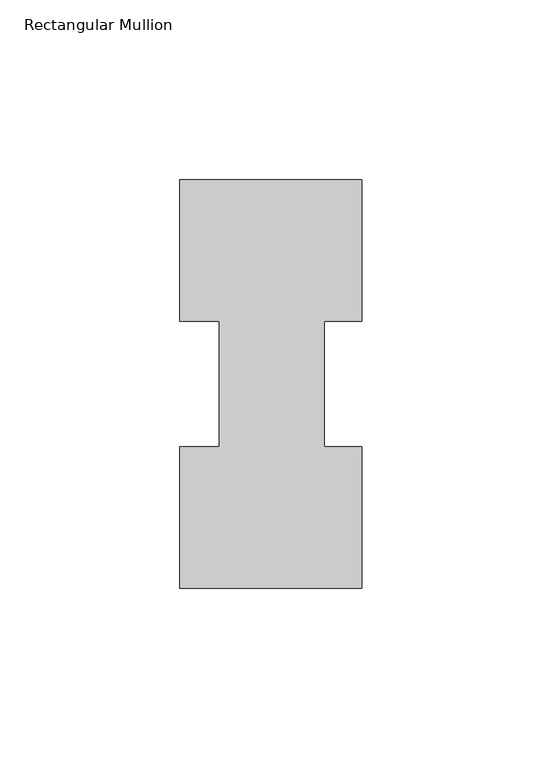
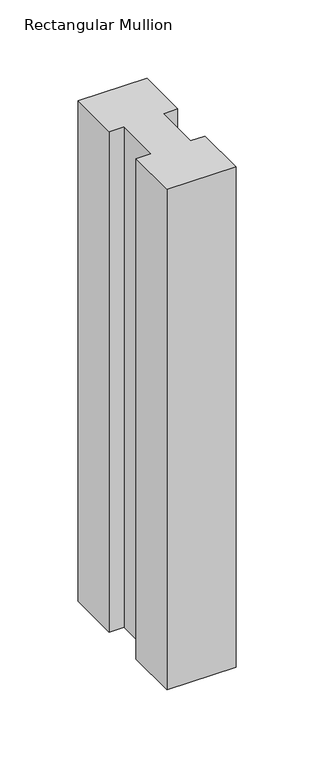
"""IFC4 building model written with IfcOpenShell, lengths in millimetres: member geometry, Rectangular Mullion."""

from ifc_helpers import new_model, si_unit, frame, origin, place, context, project, spatial, polyline, outline, extrude, source, transform, mapped, element, save


def rectangular_mullion_eb777b35(model_context):
    return source(origin(), model_context, "Body", "SweptSolid", [
        extrude(outline(polyline([(-50.8, 114.017425), (0.0, 114.017425), (0.0, 74.596625), (-10.5663987, 74.596625), (-10.5663987, 39.620825), (0.0, 39.620825), (0.0, 0.225425), (-50.8, 0.225425), (-50.8, 39.620825), (-39.6875, 39.620825), (-39.6875, 74.596625), (-50.8, 74.596625), (-50.8, 114.017425)])), frame((0.0, 0.0, -390.525), z_axis=(0.0, 0.0, 1.0), x_axis=(1.0, 0.0, 0.0)), (0.0, 0.0, 1.0), 390.525),
    ])


if __name__ == "__main__":
    model = new_model("IFC4")
    model_context = context("Model", 3, world=origin())
    ifc_project = project(units=[si_unit("LENGTHUNIT", "METRE", prefix="MILLI")], contexts=[model_context])
    site = spatial("IfcSite", under=ifc_project)
    building = spatial("IfcBuilding", under=site)
    placement = place(None, origin())
    rectangular_mullion_shape = rectangular_mullion_eb777b35(model_context)
    element("IfcMember", 1, ObjectType="Rectangular Mullion", at=placement, inside=building, context=model_context, shape_type="MappedRepresentation", body=[
        mapped(rectangular_mullion_shape, transform((0.0, 0.0, 0.0), x_axis=(1.0, 0.0, 0.0), y_axis=(0.0, 1.0, 0.0), z_axis=(0.0, 0.0, 1.0))),
    ])
    save(model, "model.ifc")
